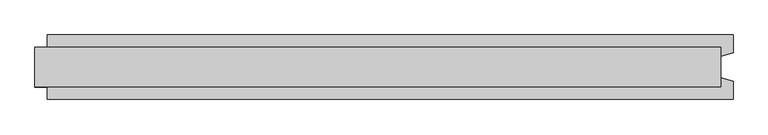
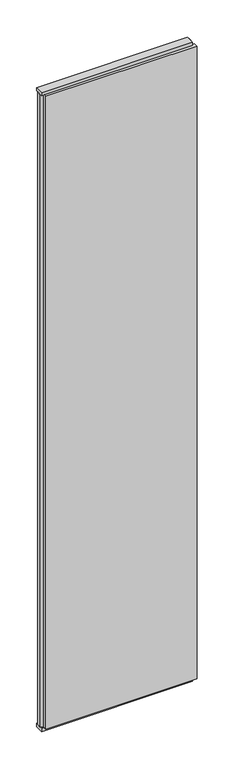
"""IFC4 building model written with IfcOpenShell, lengths in millimetres: plate geometry."""

from ifc_helpers import new_model, si_unit, frame, origin, origin_with_axes, place, context, project, spatial, polyline, outline, extrude, source, transform, mapped, element, save


def plate_beddc4b3(model_context):
    return source(origin(), model_context, "Body", "SweptSolid", [
        extrude(outline(polyline([(580.5, 52.5), (580.5, 22.9993165), (560.5, 17.6401049), (560.5, -17.6401049), (580.5, -22.9993165), (580.5, -52.5), (-540.5, -52.5), (-540.5, -22.9993165), (-560.5, -17.6401049), (-560.5, 17.6401049), (-540.5, 22.9993165), (-540.5, 52.5), (580.5, 52.5)])), frame((0.0, 0.0, 25.0), z_axis=(0.0, 0.0, 1.0), x_axis=(1.0, 0.0, 0.0)), (0.0, 0.0, 1.0), 4950.0),
        extrude(outline(polyline([(560.5, 32.0), (560.5, -32.0), (-560.5, -32.0), (-560.5, 32.0), (560.5, 32.0)])), origin_with_axes(), (0.0, 0.0, 1.0), 25.0),
        extrude(outline(polyline([(560.5, 32.0), (560.5, -32.0), (-560.5, -32.0), (-560.5, 32.0), (560.5, 32.0)])), frame((0.0, 0.0, 4975.0), z_axis=(0.0, 0.0, 1.0), x_axis=(1.0, 0.0, 0.0)), (0.0, 0.0, 1.0), 25.0),
    ])


if __name__ == "__main__":
    model = new_model("IFC4")
    model_context = context("Model", 3, world=origin())
    ifc_project = project(units=[si_unit("LENGTHUNIT", "METRE", prefix="MILLI")], contexts=[model_context])
    site = spatial("IfcSite", under=ifc_project)
    building = spatial("IfcBuilding", under=site)
    placement = place(None, origin())
    plate_shape = plate_beddc4b3(model_context)
    element("IfcPlate", 1, at=placement, inside=building, context=model_context, shape_type="MappedRepresentation", body=[
        mapped(plate_shape, transform((0.0, 0.0, 0.0), x_axis=(1.0, 0.0, 0.0), y_axis=(0.0, 1.0, 0.0), z_axis=(0.0, 0.0, 1.0))),
    ])
    save(model, "model.ifc")
